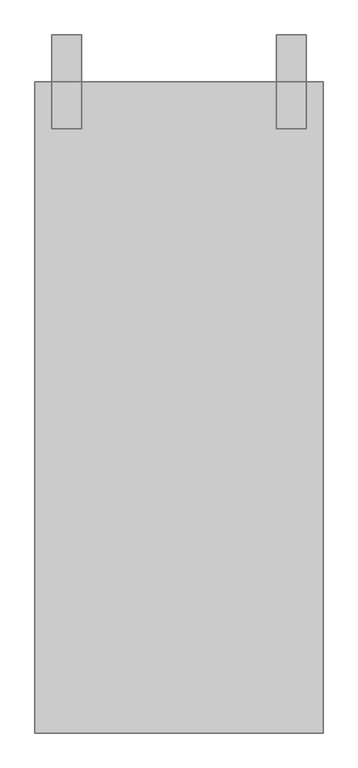
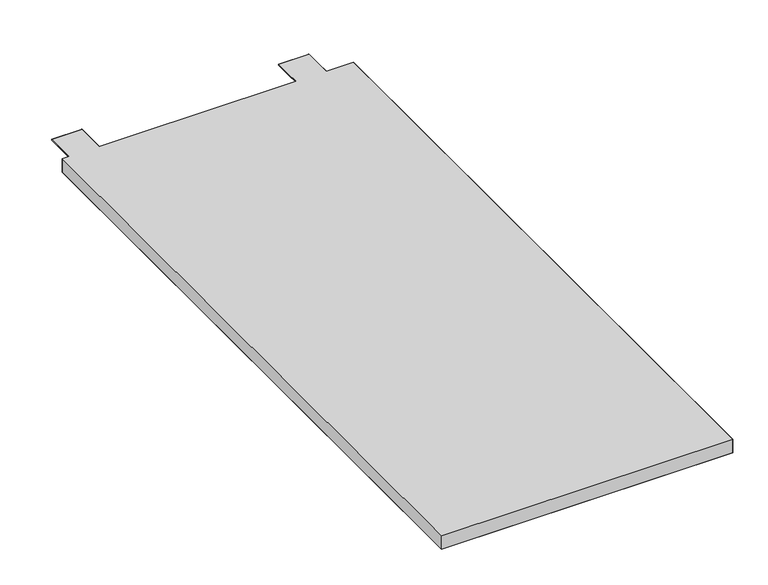
"""IFC4 building model written with IfcOpenShell, lengths in millimetres: furniture geometry."""

from ifc_helpers import new_model, si_unit, origin, place, context, project, spatial, triangles, source, transform, mapped, element, save


def furniture_8976d9bf(model_context):
    return source(origin(), model_context, "Body", "Tessellation", [
        triangles([(1.524, -1.524, 736.6000242), (608.0760015, -1.524, 736.6000242), (608.0760015, -1.524, 706.7296091), (1.524, -1.524, 706.7296091), (608.0760015, -1370.0759651, 706.7296091), (608.0760015, -1370.0759651, 736.6000242), (1.524, -1370.0759651, 736.6000242), (1.524, -1370.0759651, 706.7296091)], [[1, 2, 3], [1, 3, 4], [5, 6, 7], [5, 7, 8], [7, 1, 4], [7, 4, 8], [3, 2, 6], [3, 6, 5]], closed=False),
        triangles([(36.4489993, 96.9009984, 704.6468147), (36.4489993, -99.9489955, 704.6468147), (99.9489955, -99.9489955, 704.6468147), (99.9489955, 96.9009984, 704.6468147), (99.9489955, -99.9489955, 706.7296091), (36.4489993, -99.9489955, 706.7296091), (99.9489955, 96.9009984, 706.7296091), (36.4489993, 96.9009984, 706.7296091), (573.1509893, -99.9489955, 704.6468147), (573.1509893, 96.9009984, 704.6468147), (509.6510136, 96.9009984, 704.6468147), (509.6510136, -99.9489955, 704.6468147), (509.6510136, 96.9009984, 706.7296091), (573.1509893, 96.9009984, 706.7296091), (509.6510136, -99.9489955, 706.7296091), (573.1509893, -99.9489955, 706.7296091)], [[1, 2, 3], [1, 3, 4], [5, 6, 2], [5, 2, 3], [7, 8, 1], [7, 1, 4], [7, 4, 3], [7, 3, 5], [6, 2, 1], [6, 1, 8], [9, 10, 11], [9, 11, 12], [13, 14, 11], [14, 10, 11], [15, 16, 12], [16, 9, 12], [15, 12, 11], [15, 11, 13], [14, 10, 9], [14, 9, 16]], closed=False),
        triangles([(608.0760015, -1370.0759651, 736.6000242), (608.0760015, -1.524, 736.6000242), (1.524, -1.524, 736.6000242), (1.524, -1370.0759651, 736.6000242), (1.524, -1.524, 706.7296091), (608.0760015, -1.524, 706.7296091), (608.0760015, -1370.0759651, 706.7296091), (1.524, -1370.0759651, 706.7296091), (36.4489993, 96.9009984, 706.7296091), (36.4489993, -99.9489955, 706.7296091), (99.9489955, -99.9489955, 706.7296091), (99.9489955, 96.9009984, 706.7296091), (573.1509893, -99.9489955, 706.7296091), (573.1509893, 96.9009984, 706.7296091), (509.6510136, 96.9009984, 706.7296091), (509.6510136, -99.9489955, 706.7296091)], [[1, 2, 3], [1, 3, 4], [5, 6, 7], [5, 7, 8], [9, 10, 11], [9, 11, 12], [13, 14, 15], [13, 15, 16]], closed=False),
    ])


if __name__ == "__main__":
    model = new_model("IFC4")
    model_context = context("Model", 3, world=origin())
    ifc_project = project(units=[si_unit("LENGTHUNIT", "METRE", prefix="MILLI")], contexts=[model_context])
    site = spatial("IfcSite", under=ifc_project)
    building = spatial("IfcBuilding", under=site)
    placement = place(None, origin())
    furniture_shape = furniture_8976d9bf(model_context)
    element("IfcFurniture", 1, at=placement, inside=building, context=model_context, shape_type="MappedRepresentation", body=[
        mapped(furniture_shape, transform((0.0, 0.0, 0.0), x_axis=(1.0, 0.0, 0.0), y_axis=(0.0, 1.0, 0.0), z_axis=(0.0, 0.0, 1.0))),
    ])
    save(model, "model.ifc")
